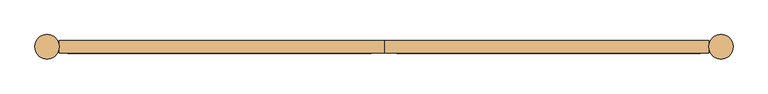
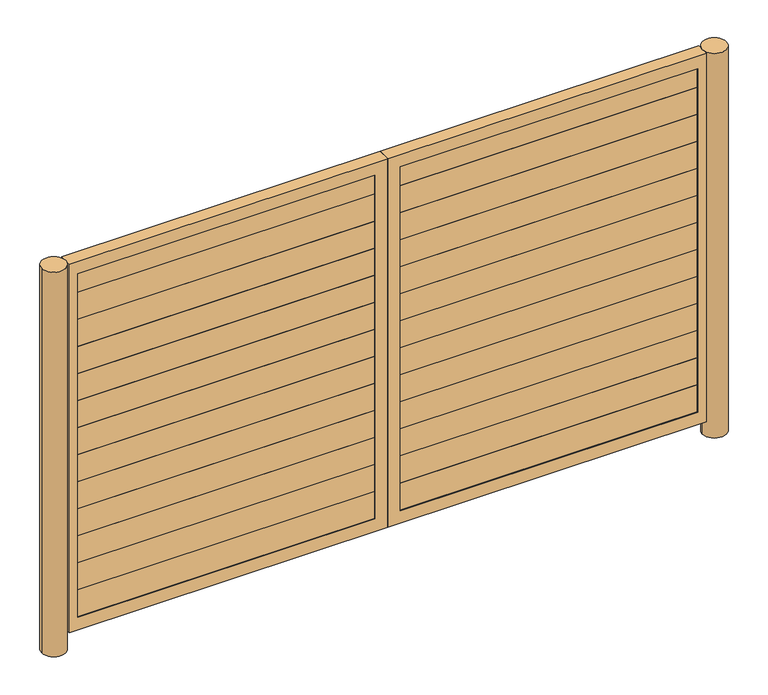
"""IFC4 building model written with IfcOpenShell, lengths in millimetres: door geometry."""

from ifc_helpers import new_model, si_unit, point, frame, frame_2d, origin, origin_with_axes, place, context, project, spatial, polyline, circle_curve, trimmed, segment, composite_curve, outline, extrude, source, transform, mapped, element, save


def door_43a67a13(model_context):
    return source(origin(), model_context, "Body", "SweptSolid", [
        extrude(outline(polyline([(236.5375, 2238.375), (169.8625, 2238.375), (169.8625, 2409.825), (236.5375, 2409.825), (236.5375, 2385.21875), (198.4375, 2348.70625), (198.4375, 2299.49375), (236.5375, 2262.98125), (236.5375, 2238.375)])), frame((-1858.9625, 0.0, 0.0), z_axis=(1.0, 0.0, 0.0), x_axis=(0.0, 1.0, 0.0)), (0.0, 0.0, 1.0), 1782.7625),
        extrude(outline(polyline([(236.5375, 2066.925), (169.8625, 2066.925), (169.8625, 2238.375), (236.5375, 2238.375), (236.5375, 2213.76875), (198.4375, 2177.25625), (198.4375, 2128.04375), (236.5375, 2091.53125), (236.5375, 2066.925)])), frame((-1858.9625, 0.0, 0.0), z_axis=(1.0, 0.0, 0.0), x_axis=(0.0, 1.0, 0.0)), (0.0, 0.0, 1.0), 1782.7625),
        extrude(outline(polyline([(236.5375, 1895.475), (169.8625, 1895.475), (169.8625, 2066.925), (236.5375, 2066.925), (236.5375, 2042.31875), (198.4375, 2005.80625), (198.4375, 1956.59375), (236.5375, 1920.08125), (236.5375, 1895.475)])), frame((-1858.9625, 0.0, 0.0), z_axis=(1.0, 0.0, 0.0), x_axis=(0.0, 1.0, 0.0)), (0.0, 0.0, 1.0), 1782.7625),
        extrude(outline(polyline([(236.5375, 1724.025), (169.8625, 1724.025), (169.8625, 1895.475), (236.5375, 1895.475), (236.5375, 1870.86875), (198.4375, 1834.35625), (198.4375, 1785.14375), (236.5375, 1748.63125), (236.5375, 1724.025)])), frame((-1858.9625, 0.0, 0.0), z_axis=(1.0, 0.0, 0.0), x_axis=(0.0, 1.0, 0.0)), (0.0, 0.0, 1.0), 1782.7625),
        extrude(outline(polyline([(236.5375, 1552.575), (169.8625, 1552.575), (169.8625, 1724.025), (236.5375, 1724.025), (236.5375, 1699.41875), (198.4375, 1662.90625), (198.4375, 1613.69375), (236.5375, 1577.18125), (236.5375, 1552.575)])), frame((-1858.9625, 0.0, 0.0), z_axis=(1.0, 0.0, 0.0), x_axis=(0.0, 1.0, 0.0)), (0.0, 0.0, 1.0), 1782.7625),
        extrude(outline(polyline([(236.5375, 1381.125), (169.8625, 1381.125), (169.8625, 1552.575), (236.5375, 1552.575), (236.5375, 1527.96875), (198.4375, 1491.45625), (198.4375, 1442.24375), (236.5375, 1405.73125), (236.5375, 1381.125)])), frame((-1858.9625, 0.0, 0.0), z_axis=(1.0, 0.0, 0.0), x_axis=(0.0, 1.0, 0.0)), (0.0, 0.0, 1.0), 1782.7625),
        extrude(outline(polyline([(236.5375, 1209.675), (169.8625, 1209.675), (169.8625, 1381.125), (236.5375, 1381.125), (236.5375, 1356.51875), (198.4375, 1320.00625), (198.4375, 1270.79375), (236.5375, 1234.28125), (236.5375, 1209.675)])), frame((-1858.9625, 0.0, 0.0), z_axis=(1.0, 0.0, 0.0), x_axis=(0.0, 1.0, 0.0)), (0.0, 0.0, 1.0), 1782.7625),
        extrude(outline(polyline([(236.5375, 1038.225), (169.8625, 1038.225), (169.8625, 1209.675), (236.5375, 1209.675), (236.5375, 1185.06875), (198.4375, 1148.55625), (198.4375, 1099.34375), (236.5375, 1062.83125), (236.5375, 1038.225)])), frame((-1858.9625, 0.0, 0.0), z_axis=(1.0, 0.0, 0.0), x_axis=(0.0, 1.0, 0.0)), (0.0, 0.0, 1.0), 1782.7625),
        extrude(outline(polyline([(236.5375, 866.775), (169.8625, 866.775), (169.8625, 1038.225), (236.5375, 1038.225), (236.5375, 1013.61875), (198.4375, 977.10625), (198.4375, 927.89375), (236.5375, 891.38125), (236.5375, 866.775)])), frame((-1858.9625, 0.0, 0.0), z_axis=(1.0, 0.0, 0.0), x_axis=(0.0, 1.0, 0.0)), (0.0, 0.0, 1.0), 1782.7625),
        extrude(outline(polyline([(236.5375, 695.325), (169.8625, 695.325), (169.8625, 866.775), (236.5375, 866.775), (236.5375, 842.16875), (198.4375, 805.65625), (198.4375, 756.44375), (236.5375, 719.93125), (236.5375, 695.325)])), frame((-1858.9625, 0.0, 0.0), z_axis=(1.0, 0.0, 0.0), x_axis=(0.0, 1.0, 0.0)), (0.0, 0.0, 1.0), 1782.7625),
        extrude(outline(polyline([(236.5375, 523.875), (169.8625, 523.875), (169.8625, 695.325), (236.5375, 695.325), (236.5375, 670.71875), (198.4375, 634.20625), (198.4375, 584.99375), (236.5375, 548.48125), (236.5375, 523.875)])), frame((-1858.9625, 0.0, 0.0), z_axis=(1.0, 0.0, 0.0), x_axis=(0.0, 1.0, 0.0)), (0.0, 0.0, 1.0), 1782.7625),
        extrude(outline(polyline([(236.5375, 352.425), (169.8625, 352.425), (169.8625, 523.875), (236.5375, 523.875), (236.5375, 499.26875), (198.4375, 462.75625), (198.4375, 413.54375), (236.5375, 377.03125), (236.5375, 352.425)])), frame((-1858.9625, 0.0, 0.0), z_axis=(1.0, 0.0, 0.0), x_axis=(0.0, 1.0, 0.0)), (0.0, 0.0, 1.0), 1782.7625),
        extrude(outline(polyline([(236.5375, 180.975), (169.8625, 180.975), (169.8625, 352.425), (236.5375, 352.425), (236.5375, 327.81875), (198.4375, 291.30625), (198.4375, 242.09375), (236.5375, 205.58125), (236.5375, 180.975)])), frame((-1858.9625, 0.0, 0.0), z_axis=(1.0, 0.0, 0.0), x_axis=(0.0, 1.0, 0.0)), (0.0, 0.0, 1.0), 1782.7625),
        extrude(outline(polyline([(236.5375, 2238.375), (169.8625, 2238.375), (169.8625, 2409.825), (236.5375, 2409.825), (236.5375, 2385.21875), (198.4375, 2348.70625), (198.4375, 2299.49375), (236.5375, 2262.98125), (236.5375, 2238.375)])), frame((76.2, 0.0, 0.0), z_axis=(1.0, 0.0, 0.0), x_axis=(0.0, 1.0, 0.0)), (0.0, 0.0, 1.0), 1782.7625),
        extrude(outline(polyline([(236.5375, 2066.925), (169.8625, 2066.925), (169.8625, 2238.375), (236.5375, 2238.375), (236.5375, 2213.76875), (198.4375, 2177.25625), (198.4375, 2128.04375), (236.5375, 2091.53125), (236.5375, 2066.925)])), frame((76.2, 0.0, 0.0), z_axis=(1.0, 0.0, 0.0), x_axis=(0.0, 1.0, 0.0)), (0.0, 0.0, 1.0), 1782.7625),
        extrude(outline(polyline([(236.5375, 1895.475), (169.8625, 1895.475), (169.8625, 2066.925), (236.5375, 2066.925), (236.5375, 2042.31875), (198.4375, 2005.80625), (198.4375, 1956.59375), (236.5375, 1920.08125), (236.5375, 1895.475)])), frame((76.2, 0.0, 0.0), z_axis=(1.0, 0.0, 0.0), x_axis=(0.0, 1.0, 0.0)), (0.0, 0.0, 1.0), 1782.7625),
        extrude(outline(polyline([(236.5375, 1724.025), (169.8625, 1724.025), (169.8625, 1895.475), (236.5375, 1895.475), (236.5375, 1870.86875), (198.4375, 1834.35625), (198.4375, 1785.14375), (236.5375, 1748.63125), (236.5375, 1724.025)])), frame((76.2, 0.0, 0.0), z_axis=(1.0, 0.0, 0.0), x_axis=(0.0, 1.0, 0.0)), (0.0, 0.0, 1.0), 1782.7625),
        extrude(outline(polyline([(236.5375, 1552.575), (169.8625, 1552.575), (169.8625, 1724.025), (236.5375, 1724.025), (236.5375, 1699.41875), (198.4375, 1662.90625), (198.4375, 1613.69375), (236.5375, 1577.18125), (236.5375, 1552.575)])), frame((76.2, 0.0, 0.0), z_axis=(1.0, 0.0, 0.0), x_axis=(0.0, 1.0, 0.0)), (0.0, 0.0, 1.0), 1782.7625),
        extrude(outline(polyline([(236.5375, 1381.125), (169.8625, 1381.125), (169.8625, 1552.575), (236.5375, 1552.575), (236.5375, 1527.96875), (198.4375, 1491.45625), (198.4375, 1442.24375), (236.5375, 1405.73125), (236.5375, 1381.125)])), frame((76.2, 0.0, 0.0), z_axis=(1.0, 0.0, 0.0), x_axis=(0.0, 1.0, 0.0)), (0.0, 0.0, 1.0), 1782.7625),
        extrude(outline(polyline([(236.5375, 1209.675), (169.8625, 1209.675), (169.8625, 1381.125), (236.5375, 1381.125), (236.5375, 1356.51875), (198.4375, 1320.00625), (198.4375, 1270.79375), (236.5375, 1234.28125), (236.5375, 1209.675)])), frame((76.2, 0.0, 0.0), z_axis=(1.0, 0.0, 0.0), x_axis=(0.0, 1.0, 0.0)), (0.0, 0.0, 1.0), 1782.7625),
        extrude(outline(polyline([(236.5375, 1038.225), (169.8625, 1038.225), (169.8625, 1209.675), (236.5375, 1209.675), (236.5375, 1185.06875), (198.4375, 1148.55625), (198.4375, 1099.34375), (236.5375, 1062.83125), (236.5375, 1038.225)])), frame((76.2, 0.0, 0.0), z_axis=(1.0, 0.0, 0.0), x_axis=(0.0, 1.0, 0.0)), (0.0, 0.0, 1.0), 1782.7625),
        extrude(outline(polyline([(236.5375, 866.775), (169.8625, 866.775), (169.8625, 1038.225), (236.5375, 1038.225), (236.5375, 1013.61875), (198.4375, 977.10625), (198.4375, 927.89375), (236.5375, 891.38125), (236.5375, 866.775)])), frame((76.2, 0.0, 0.0), z_axis=(1.0, 0.0, 0.0), x_axis=(0.0, 1.0, 0.0)), (0.0, 0.0, 1.0), 1782.7625),
        extrude(outline(polyline([(236.5375, 695.325), (169.8625, 695.325), (169.8625, 866.775), (236.5375, 866.775), (236.5375, 842.16875), (198.4375, 805.65625), (198.4375, 756.44375), (236.5375, 719.93125), (236.5375, 695.325)])), frame((76.2, 0.0, 0.0), z_axis=(1.0, 0.0, 0.0), x_axis=(0.0, 1.0, 0.0)), (0.0, 0.0, 1.0), 1782.7625),
        extrude(outline(polyline([(236.5375, 523.875), (169.8625, 523.875), (169.8625, 695.325), (236.5375, 695.325), (236.5375, 670.71875), (198.4375, 634.20625), (198.4375, 584.99375), (236.5375, 548.48125), (236.5375, 523.875)])), frame((76.2, 0.0, 0.0), z_axis=(1.0, 0.0, 0.0), x_axis=(0.0, 1.0, 0.0)), (0.0, 0.0, 1.0), 1782.7625),
        extrude(outline(polyline([(236.5375, 352.425), (169.8625, 352.425), (169.8625, 523.875), (236.5375, 523.875), (236.5375, 499.26875), (198.4375, 462.75625), (198.4375, 413.54375), (236.5375, 377.03125), (236.5375, 352.425)])), frame((76.2, 0.0, 0.0), z_axis=(1.0, 0.0, 0.0), x_axis=(0.0, 1.0, 0.0)), (0.0, 0.0, 1.0), 1782.7625),
        extrude(outline(polyline([(236.5375, 180.975), (169.8625, 180.975), (169.8625, 352.425), (236.5375, 352.425), (236.5375, 327.81875), (198.4375, 291.30625), (198.4375, 242.09375), (236.5375, 205.58125), (236.5375, 180.975)])), frame((76.2, 0.0, 0.0), z_axis=(1.0, 0.0, 0.0), x_axis=(0.0, 1.0, 0.0)), (0.0, 0.0, 1.0), 1782.7625),
        extrude(outline(composite_curve([segment(trimmed(circle_curve(frame_2d((-1981.2, 203.2)), 71.4375), [point((-2052.6375, 203.2))], [point((-1909.7625, 203.2))], False, "CARTESIAN"), True, "CONTINUOUS"), segment(trimmed(circle_curve(frame_2d((-1981.2, 203.2)), 71.4375), [point((-1909.7625, 203.2))], [point((-2052.6375, 203.2))], False, "CARTESIAN"), True, "CONTINUOUS")], self_intersect=False)), origin_with_axes(), (0.0, 0.0, 1.0), 2438.4),
        extrude(outline(composite_curve([segment(trimmed(circle_curve(frame_2d((1981.2, 203.2)), 71.4375), [point((1909.7625, 203.2))], [point((2052.6375, 203.2))], False, "CARTESIAN"), True, "CONTINUOUS"), segment(trimmed(circle_curve(frame_2d((1981.2, 203.2)), 71.4375), [point((2052.6375, 203.2))], [point((1909.7625, 203.2))], False, "CARTESIAN"), True, "CONTINUOUS")], self_intersect=False)), origin_with_axes(), (0.0, 0.0, 1.0), 2438.4),
        extrude(outline(polyline([(2438.4, -1909.7625), (101.6, -1909.7625), (101.6, 0.0), (2438.4, 0.0), (2438.4, -1909.7625)]), holes=[polyline([(2359.025, -1858.9625), (2359.025, -76.2), (180.975, -76.2), (180.975, -1858.9625), (2359.025, -1858.9625)])]), frame((0.0, 165.1, 0.0), z_axis=(0.0, 1.0, 0.0), x_axis=(0.0, 0.0, 1.0)), (0.0, 0.0, 1.0), 76.2),
        extrude(outline(polyline([(2438.4, 0.0), (101.6, 0.0), (101.6, 1909.7625), (2438.4, 1909.7625), (2438.4, 0.0)]), holes=[polyline([(2359.025, 76.2), (2359.025, 1858.9625), (180.975, 1858.9625), (180.975, 76.2), (2359.025, 76.2)])]), frame((0.0, 165.1, 0.0), z_axis=(0.0, 1.0, 0.0), x_axis=(0.0, 0.0, 1.0)), (0.0, 0.0, 1.0), 76.2),
    ])


if __name__ == "__main__":
    model = new_model("IFC4")
    model_context = context("Model", 3, world=origin())
    ifc_project = project(units=[si_unit("LENGTHUNIT", "METRE", prefix="MILLI")], contexts=[model_context])
    site = spatial("IfcSite", under=ifc_project)
    building = spatial("IfcBuilding", under=site)
    placement = place(None, origin())
    door_shape = door_43a67a13(model_context)
    element("IfcDoor", 1, at=placement, inside=building, context=model_context, shape_type="MappedRepresentation", body=[
        mapped(door_shape, transform((0.0, 0.0, 0.0), x_axis=(1.0, 0.0, 0.0), y_axis=(0.0, 1.0, 0.0), z_axis=(0.0, 0.0, 1.0))),
    ])
    save(model, "model.ifc")
